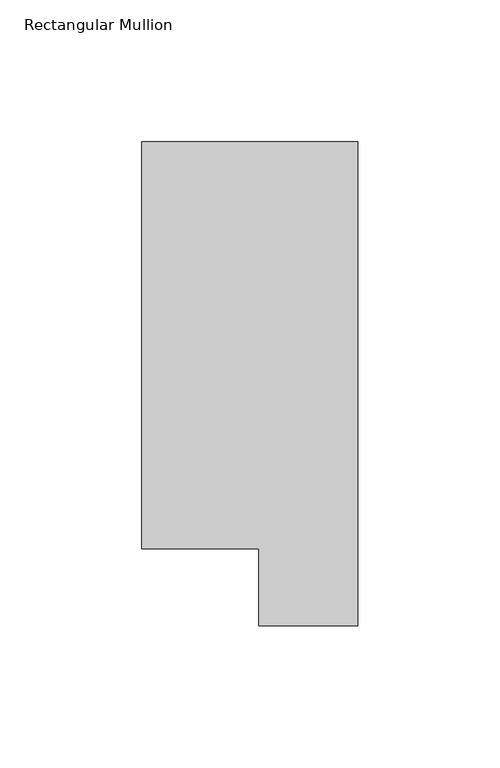
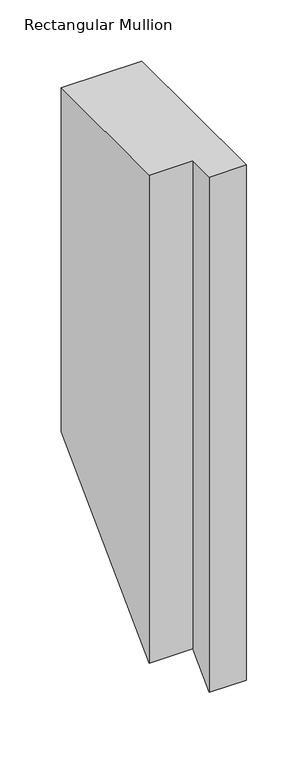
"""IFC4 building model written with IfcOpenShell, lengths in millimetres: member geometry, Rectangular Mullion."""

import ifcopenshell
import ifcopenshell.guid

model = None  # the IFC model being written
_history = None  # IfcOwnerHistory: only IFC2X3 demands one
_inside = {}  # id of a spatial element -> (the spatial element, [elements in it])
_under = {}  # id of a project, library or spatial element -> (it, [spatial elements below it])
_declared = {}  # id of a project -> (the project, [libraries it declares])
_typed = {}  # id of a type object -> (the type object, [elements of that type])
_made_of = {}  # id of a material, layer set ... -> (it, [elements and type objects made of it])


def new_model(schema):
    """Start an empty IFC model of exactly this schema.

    Asked for "IFC4X3", IfcOpenShell would pick the latest addendum, in which some entities
    have other attributes; the version numbers below select the first issue.
    IFC2X3 requires an IfcOwnerHistory on every rooted entity: one is made here for all.
    """
    global model, _history
    if schema == "IFC4X3":
        model = ifcopenshell.file(schema_version=(4, 3, 0, 0))
    else:
        model = ifcopenshell.file(schema=schema)
    _inside.clear()
    _under.clear()
    _declared.clear()
    _typed.clear()
    _made_of.clear()
    _history = None
    if model.schema == "IFC2X3":
        org = make("IfcOrganization", Name="unknown")
        user = make(
            "IfcPersonAndOrganization",
            ThePerson=make("IfcPerson", FamilyName="unknown"),
            TheOrganization=org,
        )
        app = make(
            "IfcApplication",
            ApplicationDeveloper=org,
            Version="unknown",
            ApplicationFullName="unknown",
            ApplicationIdentifier="unknown",
        )
        _history = make(
            "IfcOwnerHistory",
            OwningUser=user,
            OwningApplication=app,
            ChangeAction="ADDED",
            CreationDate=0,
        )
    return model


def make(cls, **values):
    """One entity of the class cls with the attributes given. An attribute that is None is left unset."""
    return model.create_entity(
        cls, **{name: value for name, value in values.items() if value is not None}
    )


def rooted(cls, **values):
    """An entity with a GlobalId (a new one), such as an element, a storey or a relation."""
    return make(cls, GlobalId=ifcopenshell.guid.new(), OwnerHistory=_history, **values)


def si_unit(unit_type, name, prefix=None):
    """IfcSIUnit, for example si_unit("LENGTHUNIT", "METRE", prefix="MILLI")."""
    return make("IfcSIUnit", UnitType=unit_type, Prefix=prefix, Name=name)


def assignment(units):
    """IfcUnitAssignment: the units of a project."""
    return None if units is None else make("IfcUnitAssignment", Units=units)


def point(xyz):
    """IfcCartesianPoint."""
    return None if xyz is None else make("IfcCartesianPoint", Coordinates=xyz)


def direction(xyz):
    """IfcDirection."""
    return None if xyz is None else make("IfcDirection", DirectionRatios=xyz)


def frame(location, z_axis=None, x_axis=None):
    """IfcAxis2Placement3D, a coordinate frame: its origin and axes. An axis left out is left unset."""
    return make(
        "IfcAxis2Placement3D",
        Location=point(location),
        Axis=direction(z_axis),
        RefDirection=direction(x_axis),
    )


def origin():
    """The frame at (0, 0, 0) with its axes left unset."""
    return frame((0.0, 0.0, 0.0))


def place(relative_to, where):
    """IfcLocalPlacement: puts the frame where relative to a parent placement (None: the world)."""
    return make(
        "IfcLocalPlacement", PlacementRelTo=relative_to, RelativePlacement=where
    )


def context(
    kind, dimensions, precision=None, world=None, true_north=None, identifier=None
):
    """IfcGeometricRepresentationContext, for example the 3D "Model" context."""
    return make(
        "IfcGeometricRepresentationContext",
        ContextIdentifier=identifier,
        ContextType=kind,
        CoordinateSpaceDimension=dimensions,
        Precision=precision,
        WorldCoordinateSystem=world,
        TrueNorth=true_north,
    )


def project(units=None, contexts=None):
    """IfcProject with its units and contexts."""
    return rooted(
        "IfcProject",
        Name="project",
        RepresentationContexts=contexts,
        UnitsInContext=assignment(units),
    )


def spatial(cls, under=None, at=None, **own):
    """A site, building, storey or space (cls), placed at a placement, below another one or the project."""
    s = rooted(cls, ObjectPlacement=at, **own)
    if under is not None:
        _under.setdefault(under.id(), (under, []))[1].append(s)
    return s


def faces_of(points, faces, orient=None, outer=None):
    """IfcFace entities. A face is a list of loops; a loop is a list of indices into points, from 0.

    orient and outer hold one flag for each loop. By default every Orientation is true, the
    first loop of a face is its IfcFaceOuterBound and the others are IfcFaceBound.
    """
    made = []
    for i, loops in enumerate(faces):
        bounds = []
        for j, loop in enumerate(loops):
            is_outer = j == 0 if outer is None else outer[i][j]
            bounds.append(
                make(
                    "IfcFaceOuterBound" if is_outer else "IfcFaceBound",
                    Bound=make("IfcPolyLoop", Polygon=[points[k] for k in loop]),
                    Orientation=True if orient is None else orient[i][j],
                )
            )
        made.append(make("IfcFace", Bounds=bounds))
    return made


def faceted_brep(points, faces, orient=None, outer=None, voids=None):
    """IfcFacetedBrep: a solid bounded by flat faces; with voids (closed shells), ...WithVoids."""
    shared = [point(p) for p in points]
    hull = make("IfcClosedShell", CfsFaces=faces_of(shared, faces, orient, outer))
    if voids is None:
        return make("IfcFacetedBrep", Outer=hull)
    return make(
        "IfcFacetedBrepWithVoids",
        Outer=hull,
        Voids=[
            make(cls, CfsFaces=faces_of(shared, fs, o, b)) for cls, fs, o, b in voids
        ],
    )


def shape(context_of_items, identifier, shape_type, items):
    """IfcShapeRepresentation: the items that make up one representation, for example the "Body"."""
    return make(
        "IfcShapeRepresentation",
        ContextOfItems=context_of_items,
        RepresentationIdentifier=identifier,
        RepresentationType=shape_type,
        Items=items,
    )


def source(mapping_origin, context_of_items, identifier, shape_type, items):
    """IfcRepresentationMap: a shape defined once, which mapped items show again and again."""
    return make(
        "IfcRepresentationMap",
        MappingOrigin=mapping_origin,
        MappedRepresentation=shape(context_of_items, identifier, shape_type, items),
    )


def transform(
    local_origin,
    x_axis=None,
    y_axis=None,
    z_axis=None,
    scale=None,
    scale2=None,
    scale3=None,
    uniform=True,
):
    """IfcCartesianTransformationOperator3D, or its non-uniform kind. x_axis, y_axis, z_axis: its Axis1, 2, 3."""
    if uniform:
        return make(
            "IfcCartesianTransformationOperator3D",
            Axis1=direction(x_axis),
            Axis2=direction(y_axis),
            LocalOrigin=point(local_origin),
            Scale=scale,
            Axis3=direction(z_axis),
        )
    return make(
        "IfcCartesianTransformationOperator3DnonUniform",
        Axis1=direction(x_axis),
        Axis2=direction(y_axis),
        LocalOrigin=point(local_origin),
        Scale=scale,
        Axis3=direction(z_axis),
        Scale2=scale2,
        Scale3=scale3,
    )


def mapped(mapping_source, mapping_target):
    """IfcMappedItem: shows the shape of a source again, moved by a transform."""
    return make(
        "IfcMappedItem", MappingSource=mapping_source, MappingTarget=mapping_target
    )


def made_of(thing, what):
    """Note that an element or type object is made of a material, layer set ...; save() writes the relation."""
    if what is not None:
        _made_of.setdefault(what.id(), (what, []))[1].append(thing)
    return thing


def element(
    cls,
    number,
    at=None,
    inside=None,
    cuts=None,
    type_object=None,
    material=None,
    context=None,
    identifier="Body",
    shape_type=None,
    held_by="IfcProductDefinitionShape",
    body=None,
    shapes=None,
    **own,
):
    """One element of the class cls, such as IfcWall. Its Tag is "e" and its number.

    at: its placement. inside: the storey or other place that contains it. cuts: it is an
    opening in that element (IfcRelVoidsElement). A single representation is given by context,
    identifier, shape_type and body (its items); several are given by shapes. held_by: the class
    of the entity that holds the representations. save() writes the other relations.
    """
    e = rooted(cls, Tag="e%d" % number, ObjectPlacement=at, **own)
    if body is not None:
        shapes = [shape(context, identifier, shape_type, body)]
    if shapes is not None:
        e.Representation = make(held_by, Representations=shapes)
    if inside is not None:
        _inside.setdefault(inside.id(), (inside, []))[1].append(e)
    if cuts is not None:
        rooted(
            "IfcRelVoidsElement", RelatingBuildingElement=cuts, RelatedOpeningElement=e
        )
    if type_object is not None:
        _typed.setdefault(type_object.id(), (type_object, []))[1].append(e)
    return made_of(e, material)


def aggregate(whole, parts):
    """IfcRelAggregates: a whole, such as a stair, and the parts it consists of."""
    return rooted("IfcRelAggregates", RelatingObject=whole, RelatedObjects=parts)


def save(model, path):
    """Write the relations noted so far, then the file.

    IfcRelAggregates (storeys below a building ...), IfcRelContainedInSpatialStructure (elements
    in a storey), IfcRelDefinesByType, IfcRelAssociatesMaterial and IfcRelDeclares: one each for
    every whole, place, type object, material and project.
    """
    for whole, parts in _under.values():
        aggregate(whole, parts)
    for where, things in _inside.values():
        rooted(
            "IfcRelContainedInSpatialStructure",
            RelatedElements=things,
            RelatingStructure=where,
        )
    for kind, things in _typed.values():
        rooted("IfcRelDefinesByType", RelatedObjects=things, RelatingType=kind)
    for what, things in _made_of.values():
        rooted("IfcRelAssociatesMaterial", RelatedObjects=things, RelatingMaterial=what)
    for by, libraries in _declared.values():
        rooted("IfcRelDeclares", RelatingContext=by, RelatedDefinitions=libraries)
    model.write(path)


def rectangular_mullion_1cb7e103(model_context):
    return source(origin(), model_context, "Body", "Brep", [
        faceted_brep([(0.0, 190.2801312, 0.0), (-76.2, 190.2801312, 0.0), (-76.2, 46.7447302, 0.0), (-34.9123, 46.7447302, 0.0), (-34.9123, 19.5667312, 0.0), (0.0, 19.5667312, 0.0), (0.0, 190.2801312, -343.1198687), (-76.2, 190.2801312, -343.1198687), (-76.2, 46.7447302, -486.6552698), (-34.9123, 46.7447302, -486.6552698), (-34.9123, 19.5667312, -513.8332687), (0.0, 19.5667312, -513.8332687)], [[[0, 1, 2, 3, 4, 5]], [[1, 0, 6, 7]], [[2, 1, 7, 8]], [[3, 2, 8, 9]], [[4, 3, 9, 10]], [[5, 4, 10, 11]], [[0, 5, 11, 6]], [[6, 11, 10, 9, 8, 7]]]),
    ])


if __name__ == "__main__":
    model = new_model("IFC4")
    model_context = context("Model", 3, world=origin())
    ifc_project = project(units=[si_unit("LENGTHUNIT", "METRE", prefix="MILLI")], contexts=[model_context])
    site = spatial("IfcSite", under=ifc_project)
    building = spatial("IfcBuilding", under=site)
    placement = place(None, origin())
    rectangular_mullion_shape = rectangular_mullion_1cb7e103(model_context)
    element("IfcMember", 1, ObjectType="Rectangular Mullion", at=placement, inside=building, context=model_context, shape_type="MappedRepresentation", body=[
        mapped(rectangular_mullion_shape, transform((0.0, 0.0, 0.0), x_axis=(1.0, 0.0, 0.0), y_axis=(0.0, 1.0, 0.0), z_axis=(0.0, 0.0, 1.0))),
    ])
    save(model, "model.ifc")
